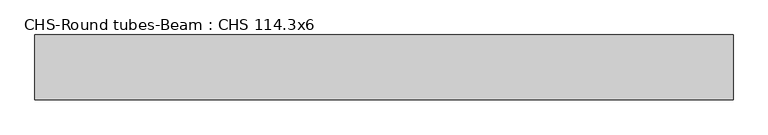
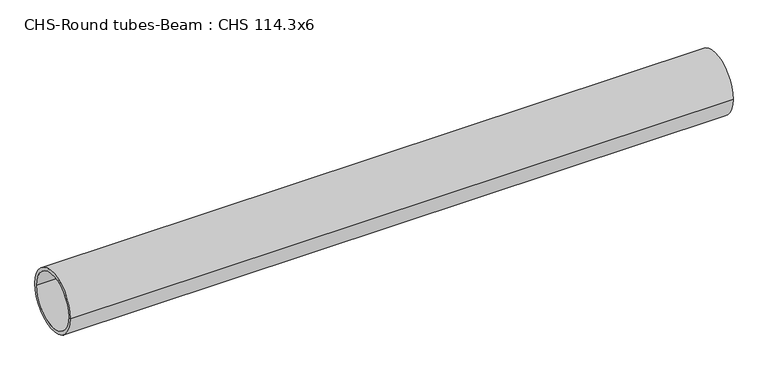
"""IFC4 building model written with IfcOpenShell, lengths in millimetres: beam geometry, CHS-Round tubes-Beam : CHS 114.3x6."""

import ifcopenshell
import ifcopenshell.guid

model = None  # the IFC model being written
_history = None  # IfcOwnerHistory: only IFC2X3 demands one
_inside = {}  # id of a spatial element -> (the spatial element, [elements in it])
_under = {}  # id of a project, library or spatial element -> (it, [spatial elements below it])
_declared = {}  # id of a project -> (the project, [libraries it declares])
_typed = {}  # id of a type object -> (the type object, [elements of that type])
_made_of = {}  # id of a material, layer set ... -> (it, [elements and type objects made of it])


def new_model(schema):
    """Start an empty IFC model of exactly this schema.

    Asked for "IFC4X3", IfcOpenShell would pick the latest addendum, in which some entities
    have other attributes; the version numbers below select the first issue.
    IFC2X3 requires an IfcOwnerHistory on every rooted entity: one is made here for all.
    """
    global model, _history
    if schema == "IFC4X3":
        model = ifcopenshell.file(schema_version=(4, 3, 0, 0))
    else:
        model = ifcopenshell.file(schema=schema)
    _inside.clear()
    _under.clear()
    _declared.clear()
    _typed.clear()
    _made_of.clear()
    _history = None
    if model.schema == "IFC2X3":
        org = make("IfcOrganization", Name="unknown")
        user = make(
            "IfcPersonAndOrganization",
            ThePerson=make("IfcPerson", FamilyName="unknown"),
            TheOrganization=org,
        )
        app = make(
            "IfcApplication",
            ApplicationDeveloper=org,
            Version="unknown",
            ApplicationFullName="unknown",
            ApplicationIdentifier="unknown",
        )
        _history = make(
            "IfcOwnerHistory",
            OwningUser=user,
            OwningApplication=app,
            ChangeAction="ADDED",
            CreationDate=0,
        )
    return model


def make(cls, **values):
    """One entity of the class cls with the attributes given. An attribute that is None is left unset."""
    return model.create_entity(
        cls, **{name: value for name, value in values.items() if value is not None}
    )


def rooted(cls, **values):
    """An entity with a GlobalId (a new one), such as an element, a storey or a relation."""
    return make(cls, GlobalId=ifcopenshell.guid.new(), OwnerHistory=_history, **values)


def si_unit(unit_type, name, prefix=None):
    """IfcSIUnit, for example si_unit("LENGTHUNIT", "METRE", prefix="MILLI")."""
    return make("IfcSIUnit", UnitType=unit_type, Prefix=prefix, Name=name)


def assignment(units):
    """IfcUnitAssignment: the units of a project."""
    return None if units is None else make("IfcUnitAssignment", Units=units)


def point(xyz):
    """IfcCartesianPoint."""
    return None if xyz is None else make("IfcCartesianPoint", Coordinates=xyz)


def direction(xyz):
    """IfcDirection."""
    return None if xyz is None else make("IfcDirection", DirectionRatios=xyz)


def frame(location, z_axis=None, x_axis=None):
    """IfcAxis2Placement3D, a coordinate frame: its origin and axes. An axis left out is left unset."""
    return make(
        "IfcAxis2Placement3D",
        Location=point(location),
        Axis=direction(z_axis),
        RefDirection=direction(x_axis),
    )


def frame_2d(location, x_axis=None):
    """IfcAxis2Placement2D, a coordinate frame in the plane: its origin and x axis."""
    return make(
        "IfcAxis2Placement2D", Location=point(location), RefDirection=direction(x_axis)
    )


def origin():
    """The frame at (0, 0, 0) with its axes left unset."""
    return frame((0.0, 0.0, 0.0))


def origin_2d():
    """The frame at (0, 0) in the plane with its x axis left unset."""
    return frame_2d((0.0, 0.0))


def place(relative_to, where):
    """IfcLocalPlacement: puts the frame where relative to a parent placement (None: the world)."""
    return make(
        "IfcLocalPlacement", PlacementRelTo=relative_to, RelativePlacement=where
    )


def context(
    kind, dimensions, precision=None, world=None, true_north=None, identifier=None
):
    """IfcGeometricRepresentationContext, for example the 3D "Model" context."""
    return make(
        "IfcGeometricRepresentationContext",
        ContextIdentifier=identifier,
        ContextType=kind,
        CoordinateSpaceDimension=dimensions,
        Precision=precision,
        WorldCoordinateSystem=world,
        TrueNorth=true_north,
    )


def project(units=None, contexts=None):
    """IfcProject with its units and contexts."""
    return rooted(
        "IfcProject",
        Name="project",
        RepresentationContexts=contexts,
        UnitsInContext=assignment(units),
    )


def spatial(cls, under=None, at=None, **own):
    """A site, building, storey or space (cls), placed at a placement, below another one or the project."""
    s = rooted(cls, ObjectPlacement=at, **own)
    if under is not None:
        _under.setdefault(under.id(), (under, []))[1].append(s)
    return s


def circle_curve(where, radius):
    """IfcCircle in the frame where."""
    return make("IfcCircle", Position=where, Radius=radius)


def trimmed(basis, trim1, trim2, sense, master):
    """IfcTrimmedCurve: the piece of a basis curve between two trims."""
    return make(
        "IfcTrimmedCurve",
        BasisCurve=basis,
        Trim1=trim1,
        Trim2=trim2,
        SenseAgreement=sense,
        MasterRepresentation=master,
    )


def segment(curve, same_sense, transition):
    """IfcCompositeCurveSegment."""
    return make(
        "IfcCompositeCurveSegment",
        Transition=transition,
        SameSense=same_sense,
        ParentCurve=curve,
    )


def composite_curve(segments, self_intersect=None):
    """IfcCompositeCurve: segments joined end to end."""
    return make("IfcCompositeCurve", Segments=segments, SelfIntersect=self_intersect)


def outline(outer, holes=None, kind="AREA"):
    """IfcArbitraryClosedProfileDef: a profile drawn as a closed curve; with holes, ...WithVoids."""
    if holes is None:
        return make("IfcArbitraryClosedProfileDef", ProfileType=kind, OuterCurve=outer)
    return make(
        "IfcArbitraryProfileDefWithVoids",
        ProfileType=kind,
        OuterCurve=outer,
        InnerCurves=holes,
    )


def extrude(swept, where, along, depth):
    """IfcExtrudedAreaSolid: the profile swept, set in the frame where, extruded along a direction by depth."""
    return make(
        "IfcExtrudedAreaSolid",
        SweptArea=swept,
        Position=where,
        ExtrudedDirection=direction(along),
        Depth=depth,
    )


def shape(context_of_items, identifier, shape_type, items):
    """IfcShapeRepresentation: the items that make up one representation, for example the "Body"."""
    return make(
        "IfcShapeRepresentation",
        ContextOfItems=context_of_items,
        RepresentationIdentifier=identifier,
        RepresentationType=shape_type,
        Items=items,
    )


def source(mapping_origin, context_of_items, identifier, shape_type, items):
    """IfcRepresentationMap: a shape defined once, which mapped items show again and again."""
    return make(
        "IfcRepresentationMap",
        MappingOrigin=mapping_origin,
        MappedRepresentation=shape(context_of_items, identifier, shape_type, items),
    )


def transform(
    local_origin,
    x_axis=None,
    y_axis=None,
    z_axis=None,
    scale=None,
    scale2=None,
    scale3=None,
    uniform=True,
):
    """IfcCartesianTransformationOperator3D, or its non-uniform kind. x_axis, y_axis, z_axis: its Axis1, 2, 3."""
    if uniform:
        return make(
            "IfcCartesianTransformationOperator3D",
            Axis1=direction(x_axis),
            Axis2=direction(y_axis),
            LocalOrigin=point(local_origin),
            Scale=scale,
            Axis3=direction(z_axis),
        )
    return make(
        "IfcCartesianTransformationOperator3DnonUniform",
        Axis1=direction(x_axis),
        Axis2=direction(y_axis),
        LocalOrigin=point(local_origin),
        Scale=scale,
        Axis3=direction(z_axis),
        Scale2=scale2,
        Scale3=scale3,
    )


def mapped(mapping_source, mapping_target):
    """IfcMappedItem: shows the shape of a source again, moved by a transform."""
    return make(
        "IfcMappedItem", MappingSource=mapping_source, MappingTarget=mapping_target
    )


def made_of(thing, what):
    """Note that an element or type object is made of a material, layer set ...; save() writes the relation."""
    if what is not None:
        _made_of.setdefault(what.id(), (what, []))[1].append(thing)
    return thing


def element(
    cls,
    number,
    at=None,
    inside=None,
    cuts=None,
    type_object=None,
    material=None,
    context=None,
    identifier="Body",
    shape_type=None,
    held_by="IfcProductDefinitionShape",
    body=None,
    shapes=None,
    **own,
):
    """One element of the class cls, such as IfcWall. Its Tag is "e" and its number.

    at: its placement. inside: the storey or other place that contains it. cuts: it is an
    opening in that element (IfcRelVoidsElement). A single representation is given by context,
    identifier, shape_type and body (its items); several are given by shapes. held_by: the class
    of the entity that holds the representations. save() writes the other relations.
    """
    e = rooted(cls, Tag="e%d" % number, ObjectPlacement=at, **own)
    if body is not None:
        shapes = [shape(context, identifier, shape_type, body)]
    if shapes is not None:
        e.Representation = make(held_by, Representations=shapes)
    if inside is not None:
        _inside.setdefault(inside.id(), (inside, []))[1].append(e)
    if cuts is not None:
        rooted(
            "IfcRelVoidsElement", RelatingBuildingElement=cuts, RelatedOpeningElement=e
        )
    if type_object is not None:
        _typed.setdefault(type_object.id(), (type_object, []))[1].append(e)
    return made_of(e, material)


def aggregate(whole, parts):
    """IfcRelAggregates: a whole, such as a stair, and the parts it consists of."""
    return rooted("IfcRelAggregates", RelatingObject=whole, RelatedObjects=parts)


def save(model, path):
    """Write the relations noted so far, then the file.

    IfcRelAggregates (storeys below a building ...), IfcRelContainedInSpatialStructure (elements
    in a storey), IfcRelDefinesByType, IfcRelAssociatesMaterial and IfcRelDeclares: one each for
    every whole, place, type object, material and project.
    """
    for whole, parts in _under.values():
        aggregate(whole, parts)
    for where, things in _inside.values():
        rooted(
            "IfcRelContainedInSpatialStructure",
            RelatedElements=things,
            RelatingStructure=where,
        )
    for kind, things in _typed.values():
        rooted("IfcRelDefinesByType", RelatedObjects=things, RelatingType=kind)
    for what, things in _made_of.values():
        rooted("IfcRelAssociatesMaterial", RelatedObjects=things, RelatingMaterial=what)
    for by, libraries in _declared.values():
        rooted("IfcRelDeclares", RelatingContext=by, RelatedDefinitions=libraries)
    model.write(path)


def chs_round_tubes_beam_chs_114_3x6_a6721478(model_context):
    return source(origin(), model_context, "Body", "SweptSolid", [
        extrude(outline(composite_curve([segment(trimmed(circle_curve(origin_2d(), 57.15), [point((57.15, 0.0))], [point((-57.15, 0.0))], False, "CARTESIAN"), True, "CONTINUOUS"), segment(trimmed(circle_curve(origin_2d(), 57.15), [point((-57.15, 0.0))], [point((57.15, 0.0))], False, "CARTESIAN"), True, "CONTINUOUS")], self_intersect=False), holes=[composite_curve([segment(trimmed(circle_curve(origin_2d(), 51.15), [point((51.15, 0.0))], [point((-51.15, 0.0))], True, "CARTESIAN"), True, "CONTINUOUS"), segment(trimmed(circle_curve(origin_2d(), 51.15), [point((-51.15, 0.0))], [point((51.15, 0.0))], True, "CARTESIAN"), True, "CONTINUOUS")], self_intersect=False)]), frame((-616.3403533, 0.0, 0.0), z_axis=(1.0, 0.0, 0.0), x_axis=(0.0, 1.0, 0.0)), (0.0, 0.0, 1.0), 1232.6807066),
    ])


if __name__ == "__main__":
    model = new_model("IFC4")
    model_context = context("Model", 3, world=origin())
    ifc_project = project(units=[si_unit("LENGTHUNIT", "METRE", prefix="MILLI")], contexts=[model_context])
    site = spatial("IfcSite", under=ifc_project)
    building = spatial("IfcBuilding", under=site)
    placement = place(None, origin())
    chs_round_tubes_beam_chs_114_3x6_shape = chs_round_tubes_beam_chs_114_3x6_a6721478(model_context)
    element("IfcBeam", 1, ObjectType="CHS-Round tubes-Beam : CHS 114.3x6", at=placement, inside=building, context=model_context, shape_type="MappedRepresentation", body=[
        mapped(chs_round_tubes_beam_chs_114_3x6_shape, transform((0.0, 0.0, 0.0), x_axis=(1.0, 0.0, 0.0), y_axis=(0.0, 1.0, 0.0), z_axis=(0.0, 0.0, 1.0))),
    ])
    save(model, "model.ifc")
